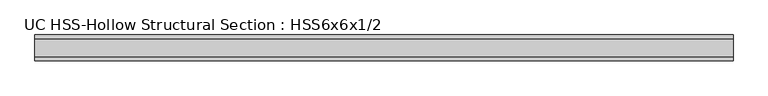
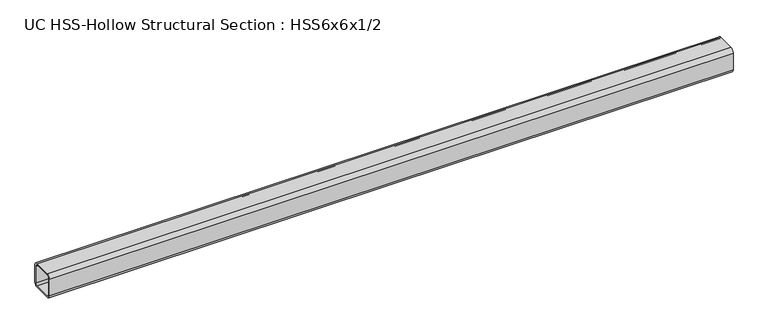
"""IFC4 building model written with IfcOpenShell, lengths in millimetres: member geometry, UC HSS-Hollow Structural Section : HSS6x6x1/2."""

from ifc_helpers import new_model, si_unit, point, frame, frame_2d, origin, place, context, project, spatial, polyline, circle_curve, trimmed, segment, composite_curve, outline, extrude, source, transform, mapped, element, save


def uc_hss_hollow_structural_section_hss6x6x1_2_4fce0c07(model_context):
    return source(origin(), model_context, "Body", "SweptSolid", [
        extrude(outline(composite_curve([segment(polyline([(76.2, 52.578), (76.2, -52.578)]), True, "CONTINUOUS"), segment(trimmed(circle_curve(frame_2d((52.578, -52.578)), 23.622), [point((76.2, -52.578))], [point((52.578, -76.2))], False, "CARTESIAN"), True, "CONTINUOUS"), segment(polyline([(52.578, -76.2), (-52.578, -76.2)]), True, "CONTINUOUS"), segment(trimmed(circle_curve(frame_2d((-52.578, -52.578)), 23.622), [point((-52.578, -76.2))], [point((-76.2, -52.578))], False, "CARTESIAN"), True, "CONTINUOUS"), segment(polyline([(-76.2, -52.578), (-76.2, 52.578)]), True, "CONTINUOUS"), segment(trimmed(circle_curve(frame_2d((-52.578, 52.578)), 23.622), [point((-76.2, 52.578))], [point((-52.578, 76.2))], False, "CARTESIAN"), True, "CONTINUOUS"), segment(polyline([(-52.578, 76.2), (52.578, 76.2)]), True, "CONTINUOUS"), segment(trimmed(circle_curve(frame_2d((52.578, 52.578)), 23.622), [point((52.578, 76.2))], [point((76.2, 52.578))], False, "CARTESIAN"), True, "CONTINUOUS")], self_intersect=False), holes=[composite_curve([segment(trimmed(circle_curve(frame_2d((-52.578, 52.578)), 11.811), [point((-52.578, 64.389))], [point((-64.389, 52.578))], True, "CARTESIAN"), True, "CONTINUOUS"), segment(polyline([(-64.389, 52.578), (-64.389, -52.578)]), True, "CONTINUOUS"), segment(trimmed(circle_curve(frame_2d((-52.578, -52.578)), 11.811), [point((-64.389, -52.578))], [point((-52.578, -64.389))], True, "CARTESIAN"), True, "CONTINUOUS"), segment(polyline([(-52.578, -64.389), (52.578, -64.389)]), True, "CONTINUOUS"), segment(trimmed(circle_curve(frame_2d((52.578, -52.578)), 11.811), [point((52.578, -64.389))], [point((64.389, -52.578))], True, "CARTESIAN"), True, "CONTINUOUS"), segment(polyline([(64.389, -52.578), (64.389, 52.578)]), True, "CONTINUOUS"), segment(trimmed(circle_curve(frame_2d((52.578, 52.578)), 11.811), [point((64.389, 52.578))], [point((52.578, 64.389))], True, "CARTESIAN"), True, "CONTINUOUS"), segment(polyline([(52.578, 64.389), (-52.578, 64.389)]), True, "CONTINUOUS")], self_intersect=False)]), frame((-2111.1037523, 0.0, 0.0), z_axis=(1.0, 0.0, 0.0), x_axis=(0.0, 1.0, 0.0)), (0.0, 0.0, 1.0), 4131.0515508),
    ])


if __name__ == "__main__":
    model = new_model("IFC4")
    model_context = context("Model", 3, world=origin())
    ifc_project = project(units=[si_unit("LENGTHUNIT", "METRE", prefix="MILLI")], contexts=[model_context])
    site = spatial("IfcSite", under=ifc_project)
    building = spatial("IfcBuilding", under=site)
    placement = place(None, origin())
    uc_hss_hollow_structural_section_hss6x6x1_2_shape = uc_hss_hollow_structural_section_hss6x6x1_2_4fce0c07(model_context)
    element("IfcMember", 1, ObjectType="UC HSS-Hollow Structural Section : HSS6x6x1/2", at=placement, inside=building, context=model_context, shape_type="MappedRepresentation", body=[
        mapped(uc_hss_hollow_structural_section_hss6x6x1_2_shape, transform((0.0, 0.0, 0.0), x_axis=(1.0, 0.0, 0.0), y_axis=(0.0, 1.0, 0.0), z_axis=(0.0, 0.0, 1.0))),
    ])
    save(model, "model.ifc")
